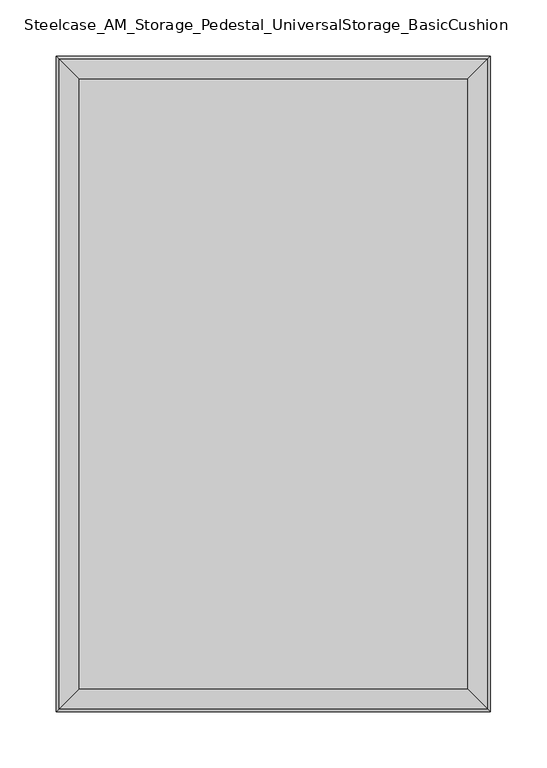
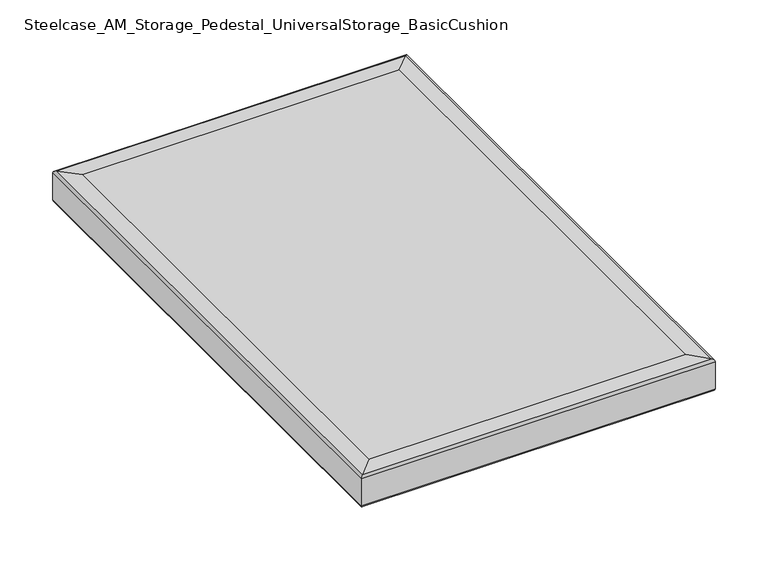
"""IFC4 building model written with IfcOpenShell, lengths in millimetres: furniture geometry, Steelcase_AM_Storage_Pedestal_UniversalStorage_BasicCushion."""

import ifcopenshell
import ifcopenshell.guid

model = None  # the IFC model being written
_history = None  # IfcOwnerHistory: only IFC2X3 demands one
_inside = {}  # id of a spatial element -> (the spatial element, [elements in it])
_under = {}  # id of a project, library or spatial element -> (it, [spatial elements below it])
_declared = {}  # id of a project -> (the project, [libraries it declares])
_typed = {}  # id of a type object -> (the type object, [elements of that type])
_made_of = {}  # id of a material, layer set ... -> (it, [elements and type objects made of it])


def new_model(schema):
    """Start an empty IFC model of exactly this schema.

    Asked for "IFC4X3", IfcOpenShell would pick the latest addendum, in which some entities
    have other attributes; the version numbers below select the first issue.
    IFC2X3 requires an IfcOwnerHistory on every rooted entity: one is made here for all.
    """
    global model, _history
    if schema == "IFC4X3":
        model = ifcopenshell.file(schema_version=(4, 3, 0, 0))
    else:
        model = ifcopenshell.file(schema=schema)
    _inside.clear()
    _under.clear()
    _declared.clear()
    _typed.clear()
    _made_of.clear()
    _history = None
    if model.schema == "IFC2X3":
        org = make("IfcOrganization", Name="unknown")
        user = make(
            "IfcPersonAndOrganization",
            ThePerson=make("IfcPerson", FamilyName="unknown"),
            TheOrganization=org,
        )
        app = make(
            "IfcApplication",
            ApplicationDeveloper=org,
            Version="unknown",
            ApplicationFullName="unknown",
            ApplicationIdentifier="unknown",
        )
        _history = make(
            "IfcOwnerHistory",
            OwningUser=user,
            OwningApplication=app,
            ChangeAction="ADDED",
            CreationDate=0,
        )
    return model


def make(cls, **values):
    """One entity of the class cls with the attributes given. An attribute that is None is left unset."""
    return model.create_entity(
        cls, **{name: value for name, value in values.items() if value is not None}
    )


def rooted(cls, **values):
    """An entity with a GlobalId (a new one), such as an element, a storey or a relation."""
    return make(cls, GlobalId=ifcopenshell.guid.new(), OwnerHistory=_history, **values)


def si_unit(unit_type, name, prefix=None):
    """IfcSIUnit, for example si_unit("LENGTHUNIT", "METRE", prefix="MILLI")."""
    return make("IfcSIUnit", UnitType=unit_type, Prefix=prefix, Name=name)


def assignment(units):
    """IfcUnitAssignment: the units of a project."""
    return None if units is None else make("IfcUnitAssignment", Units=units)


def point(xyz):
    """IfcCartesianPoint."""
    return None if xyz is None else make("IfcCartesianPoint", Coordinates=xyz)


def direction(xyz):
    """IfcDirection."""
    return None if xyz is None else make("IfcDirection", DirectionRatios=xyz)


def frame(location, z_axis=None, x_axis=None):
    """IfcAxis2Placement3D, a coordinate frame: its origin and axes. An axis left out is left unset."""
    return make(
        "IfcAxis2Placement3D",
        Location=point(location),
        Axis=direction(z_axis),
        RefDirection=direction(x_axis),
    )


def origin():
    """The frame at (0, 0, 0) with its axes left unset."""
    return frame((0.0, 0.0, 0.0))


def place(relative_to, where):
    """IfcLocalPlacement: puts the frame where relative to a parent placement (None: the world)."""
    return make(
        "IfcLocalPlacement", PlacementRelTo=relative_to, RelativePlacement=where
    )


def context(
    kind, dimensions, precision=None, world=None, true_north=None, identifier=None
):
    """IfcGeometricRepresentationContext, for example the 3D "Model" context."""
    return make(
        "IfcGeometricRepresentationContext",
        ContextIdentifier=identifier,
        ContextType=kind,
        CoordinateSpaceDimension=dimensions,
        Precision=precision,
        WorldCoordinateSystem=world,
        TrueNorth=true_north,
    )


def project(units=None, contexts=None):
    """IfcProject with its units and contexts."""
    return rooted(
        "IfcProject",
        Name="project",
        RepresentationContexts=contexts,
        UnitsInContext=assignment(units),
    )


def spatial(cls, under=None, at=None, **own):
    """A site, building, storey or space (cls), placed at a placement, below another one or the project."""
    s = rooted(cls, ObjectPlacement=at, **own)
    if under is not None:
        _under.setdefault(under.id(), (under, []))[1].append(s)
    return s


def ellipse_curve(where, semi_axis1, semi_axis2):
    """IfcEllipse in the frame where."""
    return make(
        "IfcEllipse", Position=where, SemiAxis1=semi_axis1, SemiAxis2=semi_axis2
    )


def shape(context_of_items, identifier, shape_type, items):
    """IfcShapeRepresentation: the items that make up one representation, for example the "Body"."""
    return make(
        "IfcShapeRepresentation",
        ContextOfItems=context_of_items,
        RepresentationIdentifier=identifier,
        RepresentationType=shape_type,
        Items=items,
    )


def source(mapping_origin, context_of_items, identifier, shape_type, items):
    """IfcRepresentationMap: a shape defined once, which mapped items show again and again."""
    return make(
        "IfcRepresentationMap",
        MappingOrigin=mapping_origin,
        MappedRepresentation=shape(context_of_items, identifier, shape_type, items),
    )


def transform(
    local_origin,
    x_axis=None,
    y_axis=None,
    z_axis=None,
    scale=None,
    scale2=None,
    scale3=None,
    uniform=True,
):
    """IfcCartesianTransformationOperator3D, or its non-uniform kind. x_axis, y_axis, z_axis: its Axis1, 2, 3."""
    if uniform:
        return make(
            "IfcCartesianTransformationOperator3D",
            Axis1=direction(x_axis),
            Axis2=direction(y_axis),
            LocalOrigin=point(local_origin),
            Scale=scale,
            Axis3=direction(z_axis),
        )
    return make(
        "IfcCartesianTransformationOperator3DnonUniform",
        Axis1=direction(x_axis),
        Axis2=direction(y_axis),
        LocalOrigin=point(local_origin),
        Scale=scale,
        Axis3=direction(z_axis),
        Scale2=scale2,
        Scale3=scale3,
    )


def mapped(mapping_source, mapping_target):
    """IfcMappedItem: shows the shape of a source again, moved by a transform."""
    return make(
        "IfcMappedItem", MappingSource=mapping_source, MappingTarget=mapping_target
    )


def made_of(thing, what):
    """Note that an element or type object is made of a material, layer set ...; save() writes the relation."""
    if what is not None:
        _made_of.setdefault(what.id(), (what, []))[1].append(thing)
    return thing


def element(
    cls,
    number,
    at=None,
    inside=None,
    cuts=None,
    type_object=None,
    material=None,
    context=None,
    identifier="Body",
    shape_type=None,
    held_by="IfcProductDefinitionShape",
    body=None,
    shapes=None,
    **own,
):
    """One element of the class cls, such as IfcWall. Its Tag is "e" and its number.

    at: its placement. inside: the storey or other place that contains it. cuts: it is an
    opening in that element (IfcRelVoidsElement). A single representation is given by context,
    identifier, shape_type and body (its items); several are given by shapes. held_by: the class
    of the entity that holds the representations. save() writes the other relations.
    """
    e = rooted(cls, Tag="e%d" % number, ObjectPlacement=at, **own)
    if body is not None:
        shapes = [shape(context, identifier, shape_type, body)]
    if shapes is not None:
        e.Representation = make(held_by, Representations=shapes)
    if inside is not None:
        _inside.setdefault(inside.id(), (inside, []))[1].append(e)
    if cuts is not None:
        rooted(
            "IfcRelVoidsElement", RelatingBuildingElement=cuts, RelatedOpeningElement=e
        )
    if type_object is not None:
        _typed.setdefault(type_object.id(), (type_object, []))[1].append(e)
    return made_of(e, material)


def aggregate(whole, parts):
    """IfcRelAggregates: a whole, such as a stair, and the parts it consists of."""
    return rooted("IfcRelAggregates", RelatingObject=whole, RelatedObjects=parts)


def save(model, path):
    """Write the relations noted so far, then the file.

    IfcRelAggregates (storeys below a building ...), IfcRelContainedInSpatialStructure (elements
    in a storey), IfcRelDefinesByType, IfcRelAssociatesMaterial and IfcRelDeclares: one each for
    every whole, place, type object, material and project.
    """
    for whole, parts in _under.values():
        aggregate(whole, parts)
    for where, things in _inside.values():
        rooted(
            "IfcRelContainedInSpatialStructure",
            RelatedElements=things,
            RelatingStructure=where,
        )
    for kind, things in _typed.values():
        rooted("IfcRelDefinesByType", RelatedObjects=things, RelatingType=kind)
    for what, things in _made_of.values():
        rooted("IfcRelAssociatesMaterial", RelatedObjects=things, RelatingMaterial=what)
    for by, libraries in _declared.values():
        rooted("IfcRelDeclares", RelatingContext=by, RelatedDefinitions=libraries)
    model.write(path)


def plane_surface(at):
    """IfcPlane: the flat surface through the origin of the frame at, square to its z axis."""
    return make("IfcPlane", Position=at)


def cylinder_surface(at, radius):
    """IfcCylindricalSurface: all points at the distance radius from the z axis of the frame at."""
    return make("IfcCylindricalSurface", Position=at, Radius=radius)


def advanced_brep(points, edges, surfaces, faces):
    """IfcAdvancedBrep: a solid bounded by faces that lie on surfaces and meet in shared edges.

    An edge is (start, end): straight between two places in points (the first is 0);
    or (start, end, curve); or (start, end, curve, False) where it runs against its curve.
    A face is (place in surfaces, loops), or (place, loops, False) where it looks against
    its surface's normal. A loop lists edges by number (the first is 1), with a minus sign
    where the edge is run from its end to its start. The first loop is the outer one.
    """
    corners = [point(p) for p in points]
    vertices = [make("IfcVertexPoint", VertexGeometry=c) for c in corners]
    made = []
    for start, end, *more in edges:
        made.append(
            make(
                "IfcEdgeCurve",
                EdgeStart=vertices[start],
                EdgeEnd=vertices[end],
                EdgeGeometry=more[0] if more else make("IfcPolyline", Points=[corners[start], corners[end]]),
                SameSense=more[1] if len(more) > 1 else True,
            )
        )
    hull = []
    for where, loops, *sense in faces:
        bounds = []
        for j, loop in enumerate(loops):
            ring = [make("IfcOrientedEdge", EdgeElement=made[abs(k) - 1], Orientation=k > 0) for k in loop]
            bounds.append(
                make(
                    "IfcFaceOuterBound" if j == 0 else "IfcFaceBound",
                    Bound=make("IfcEdgeLoop", EdgeList=ring),
                    Orientation=True,
                )
            )
        hull.append(make("IfcAdvancedFace", Bounds=bounds, FaceSurface=surfaces[where], SameSense=sense[0] if sense else True))
    return make("IfcAdvancedBrep", Outer=make("IfcClosedShell", CfsFaces=hull))


def steelcase_am_storage_pedestal_universalstorage_basiccushion_07e17367(model_context):
    return source(origin(), model_context, "Body", "AdvancedBrep", [
        advanced_brep(
        [(0.0, 0.0, 580.6994243), (0.0, 0.0, 549.6005757), (0.0, -584.2, 549.6005757), (0.0, -584.2, 580.6994243), (2.4070667, -581.7929333, 583.2359433), (2.4070667, -2.4070667, 583.2359433), (20.32, -563.88, 584.2), (20.32, -20.32, 584.2), (2.4070667, -2.4070667, 547.0640567), (20.32, -20.32, 546.1), (20.32, -563.88, 546.1), (2.4070667, -581.7929333, 547.0640567), (387.35, -584.2, 549.6005757), (387.35, -584.2, 580.6994243), (384.9429333, -581.7929333, 583.2359433), (367.03, -563.88, 584.2), (367.03, -563.88, 546.1), (384.9429333, -581.7929333, 547.0640567), (387.35, 0.0, 549.6005757), (387.35, 0.0, 580.6994243), (384.9429333, -2.4070667, 583.2359433), (367.03, -20.32, 584.2), (367.03, -20.32, 546.1), (384.9429333, -2.4070667, 547.0640567)],
        [
            (0, 1),
            (1, 2),
            (2, 3),
            (3, 0),
            (3, 4, ellipse_curve(frame((2.54, -581.66, 580.6994243), z_axis=(-0.7071067811865475, 0.7071067811865475, 0.0), x_axis=(0.7071067811865474, 0.7071067811865476, 0.0)), 3.5921024, 2.54)),
            (4, 5),
            (5, 0, ellipse_curve(frame((2.54, -2.54, 580.6994243), z_axis=(-0.7071067811865475, -0.7071067811865475, 0.0), x_axis=(-0.7071067811865474, 0.7071067811865476, 0.0)), 3.5921024, 2.54)),
            (4, 6),
            (6, 7),
            (7, 5),
            (8, 9),
            (9, 10),
            (10, 11),
            (11, 8),
            (1, 8, ellipse_curve(frame((2.54, -2.54, 549.6005757), z_axis=(-0.7071067811865475, -0.7071067811865475, 0.0), x_axis=(-0.7071067811865474, 0.7071067811865476, 0.0)), 3.5921024, 2.54)),
            (11, 2, ellipse_curve(frame((2.54, -581.66, 549.6005757), z_axis=(-0.7071067811865475, 0.7071067811865475, 0.0), x_axis=(0.7071067811865474, 0.7071067811865476, 0.0)), 3.5921024, 2.54)),
            (2, 12),
            (12, 13),
            (13, 3),
            (13, 14, ellipse_curve(frame((384.81, -581.66, 580.6994243), z_axis=(-0.7071067811865475, -0.7071067811865475, 0.0), x_axis=(-0.7071067811865476, 0.7071067811865474, 0.0)), 3.5921024, 2.54)),
            (14, 4),
            (14, 15),
            (15, 6),
            (10, 16),
            (16, 17),
            (17, 11),
            (17, 12, ellipse_curve(frame((384.81, -581.66, 549.6005757), z_axis=(-0.7071067811865475, -0.7071067811865475, 0.0), x_axis=(-0.7071067811865476, 0.7071067811865474, 0.0)), 3.5921024, 2.54)),
            (12, 18),
            (18, 19),
            (19, 13),
            (19, 20, ellipse_curve(frame((384.81, -2.54, 580.6994243), z_axis=(0.7071067811865475, -0.7071067811865475, 0.0), x_axis=(-0.7071067811865474, -0.7071067811865476, 0.0)), 3.5921024, 2.54)),
            (20, 14),
            (20, 21),
            (21, 15),
            (16, 22),
            (22, 23),
            (23, 17),
            (23, 18, ellipse_curve(frame((384.81, -2.54, 549.6005757), z_axis=(0.7071067811865475, -0.7071067811865475, 0.0), x_axis=(-0.7071067811865474, -0.7071067811865476, 0.0)), 3.5921024, 2.54)),
            (0, 19),
            (18, 1),
            (5, 20),
            (7, 21),
            (8, 23),
            (22, 9),
        ],
        [
            plane_surface(frame((0.0, 0.0, 549.6005757), z_axis=(-1.0, 0.0, 0.0), x_axis=(0.0, -1.0, 0.0))),
            cylinder_surface(frame((2.54, -20.32, 580.6994243), z_axis=(0.0, 1.0, 0.0), x_axis=(1.0, 0.0, 0.0)), 2.54),
            plane_surface(frame((2.4070667, -2.4070667, 583.2359433), z_axis=(-0.05374125495692419, 0.0, 0.9985548945930088), x_axis=(0.0, -1.0, 0.0))),
            plane_surface(frame((20.32, -20.32, 546.1), z_axis=(-0.053741254956929566, 0.0, -0.9985548945930085), x_axis=(0.0, -1.0, 0.0))),
            cylinder_surface(frame((2.54, -20.32, 549.6005757), z_axis=(0.0, 1.0, 0.0), x_axis=(1.0, 0.0, 0.0)), 2.54),
            plane_surface(frame((0.0, -584.2, 549.6005757), z_axis=(0.0, -1.0, 0.0), x_axis=(1.0, 0.0, 0.0))),
            cylinder_surface(frame((20.32, -581.66, 580.6994243), z_axis=(-1.0, 0.0, 0.0), x_axis=(0.0, 1.0, 0.0)), 2.54),
            plane_surface(frame((2.4070667, -581.7929333, 583.2359433), z_axis=(0.0, -0.05374125495692419, 0.9985548945930088), x_axis=(1.0, 0.0, 0.0))),
            plane_surface(frame((20.32, -563.88, 546.1), z_axis=(0.0, -0.053741254956929566, -0.9985548945930085), x_axis=(1.0, 0.0, 0.0))),
            cylinder_surface(frame((20.32, -581.66, 549.6005757), z_axis=(-1.0, 0.0, 0.0), x_axis=(0.0, 1.0, 0.0)), 2.54),
            plane_surface(frame((387.35, -584.2, 549.6005757), z_axis=(1.0, 0.0, 0.0), x_axis=(0.0, 1.0, 0.0))),
            cylinder_surface(frame((384.81, -563.88, 580.6994243), z_axis=(0.0, -1.0, 0.0), x_axis=(-1.0, 0.0, 0.0)), 2.54),
            plane_surface(frame((384.9429333, -581.7929333, 583.2359433), z_axis=(0.05374125495692419, 0.0, 0.9985548945930088), x_axis=(0.0, 1.0, 0.0))),
            plane_surface(frame((367.03, -563.88, 546.1), z_axis=(0.053741254956929566, 0.0, -0.9985548945930085), x_axis=(0.0, 1.0, 0.0))),
            cylinder_surface(frame((384.81, -563.88, 549.6005757), z_axis=(0.0, -1.0, 0.0), x_axis=(-1.0, 0.0, 0.0)), 2.54),
            plane_surface(frame((387.35, 0.0, 549.6005757), z_axis=(0.0, 1.0, 0.0), x_axis=(-1.0, 0.0, 0.0))),
            cylinder_surface(frame((367.03, -2.54, 580.6994243), z_axis=(1.0, 0.0, 0.0), x_axis=(0.0, -1.0, 0.0)), 2.54),
            plane_surface(frame((384.9429333, -2.4070667, 583.2359433), z_axis=(0.0, 0.05374125495692419, 0.9985548945930088), x_axis=(-1.0, 0.0, 0.0))),
            plane_surface(frame((367.03, -20.32, 546.1), z_axis=(0.0, 0.053741254956929566, -0.9985548945930085), x_axis=(-1.0, 0.0, 0.0))),
            cylinder_surface(frame((367.03, -2.54, 549.6005757), z_axis=(1.0, 0.0, 0.0), x_axis=(0.0, -1.0, 0.0)), 2.54),
            plane_surface(frame((20.32, -20.32, 584.2), z_axis=(0.0, 0.0, 1.0), x_axis=(-1.0, 0.0, 0.0))),
            plane_surface(frame((20.32, -20.32, 546.1), z_axis=(0.0, 0.0, -1.0), x_axis=(1.0, 0.0, 0.0))),
        ],
        [
            (0, [[1, 2, 3, 4]]),
            (1, [[-4, 5, 6, 7]]),
            (2, [[-6, 8, 9, 10]]),
            (3, [[11, 12, 13, 14]]),
            (4, [[-2, 15, -14, 16]]),
            (5, [[-3, 17, 18, 19]]),
            (6, [[-5, -19, 20, 21]]),
            (7, [[-8, -21, 22, 23]]),
            (8, [[-13, 24, 25, 26]]),
            (9, [[-16, -26, 27, -17]]),
            (10, [[-18, 28, 29, 30]]),
            (11, [[-20, -30, 31, 32]]),
            (12, [[-22, -32, 33, 34]]),
            (13, [[-25, 35, 36, 37]]),
            (14, [[-27, -37, 38, -28]]),
            (15, [[-1, 39, -29, 40]]),
            (16, [[-7, 41, -31, -39]]),
            (17, [[-10, 42, -33, -41]]),
            (18, [[-11, 43, -36, 44]]),
            (19, [[-15, -40, -38, -43]]),
            (20, [[-9, -23, -34, -42]]),
            (21, [[-12, -44, -35, -24]]),
        ],
    ),
    ])


if __name__ == "__main__":
    model = new_model("IFC4")
    model_context = context("Model", 3, world=origin())
    ifc_project = project(units=[si_unit("LENGTHUNIT", "METRE", prefix="MILLI")], contexts=[model_context])
    site = spatial("IfcSite", under=ifc_project)
    building = spatial("IfcBuilding", under=site)
    placement = place(None, origin())
    steelcase_am_storage_pedestal_universalstorage_basiccushion_shape = steelcase_am_storage_pedestal_universalstorage_basiccushion_07e17367(model_context)
    element("IfcFurniture", 1, ObjectType="Steelcase_AM_Storage_Pedestal_UniversalStorage_BasicCushion", at=placement, inside=building, context=model_context, shape_type="MappedRepresentation", body=[
        mapped(steelcase_am_storage_pedestal_universalstorage_basiccushion_shape, transform((0.0, 0.0, 0.0), x_axis=(1.0, 0.0, 0.0), y_axis=(0.0, 1.0, 0.0), z_axis=(0.0, 0.0, 1.0))),
    ])
    save(model, "model.ifc")
